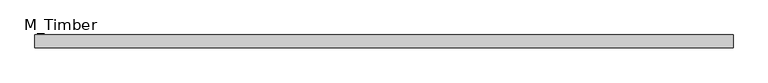
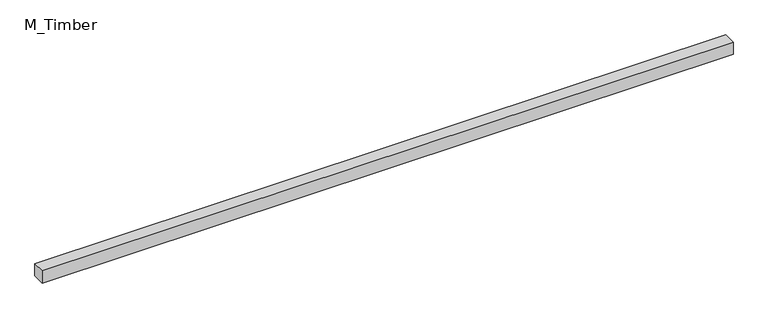
"""IFC4 building model written with IfcOpenShell, lengths in millimetres: beam geometry, M_Timber."""

from ifc_helpers import new_model, si_unit, frame, origin, place, context, project, spatial, polyline, outline, extrude, source, transform, mapped, element, save


def m_timber_89f959d5(model_context):
    return source(origin(), model_context, "Body", "SweptSolid", [
        extrude(outline(polyline([(1084.2113991, 20.0), (1084.2113991, -20.0), (-1084.2113991, -20.0), (-1084.2113991, 20.0), (1084.2113991, 20.0)])), frame((0.0, 0.0, -20.0), z_axis=(0.0, 0.0, 1.0), x_axis=(1.0, 0.0, 0.0)), (0.0, 0.0, 1.0), 40.0),
    ])


if __name__ == "__main__":
    model = new_model("IFC4")
    model_context = context("Model", 3, world=origin())
    ifc_project = project(units=[si_unit("LENGTHUNIT", "METRE", prefix="MILLI")], contexts=[model_context])
    site = spatial("IfcSite", under=ifc_project)
    building = spatial("IfcBuilding", under=site)
    placement = place(None, origin())
    m_timber_shape = m_timber_89f959d5(model_context)
    element("IfcBeam", 1, ObjectType="M_Timber", at=placement, inside=building, context=model_context, shape_type="MappedRepresentation", body=[
        mapped(m_timber_shape, transform((0.0, 0.0, 0.0), x_axis=(1.0, 0.0, 0.0), y_axis=(0.0, 1.0, 0.0), z_axis=(0.0, 0.0, 1.0))),
    ])
    save(model, "model.ifc")
